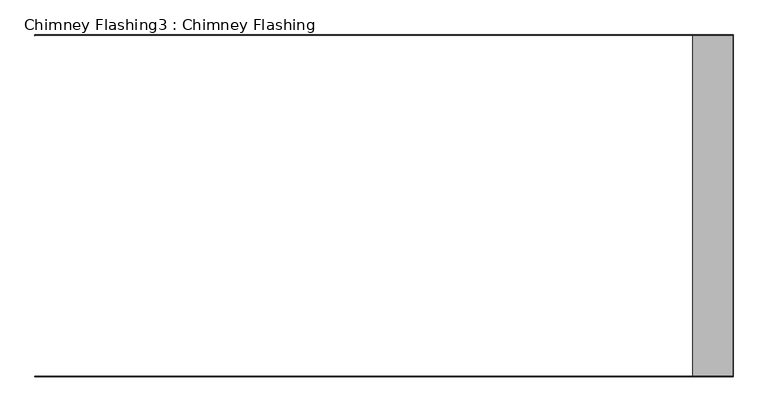
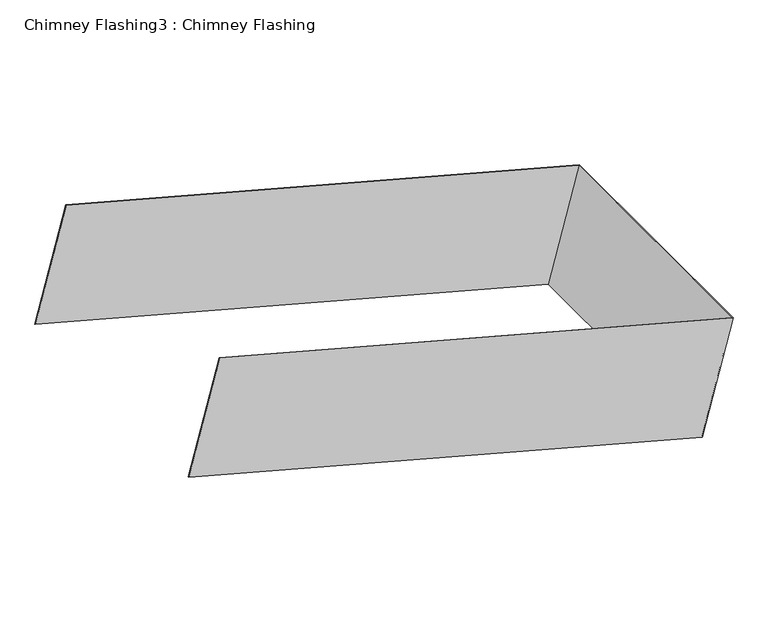
"""IFC4 building model written with IfcOpenShell, lengths in millimetres: proxy geometry, Chimney Flashing3 : Chimney Flashing."""

from ifc_helpers import new_model, si_unit, frame, origin, place, context, project, spatial, polyline, outline, extrude, source, transform, mapped, element, save


def chimney_flashing3_chimney_flashing_d32aa1b1(model_context):
    return source(origin(), model_context, "Body", "SweptSolid", [
        extrude(outline(polyline([(0.0, -1.0), (0.0, 0.0), (1200.9999999, 0.0), (1200.9999999, -602.0), (0.0, -602.0), (0.0, -601.0), (1199.9999999, -601.0), (1199.9999999, -1.0), (0.0, -1.0)])), frame((9709.037993, -12620.7134194, 9984.2509927), z_axis=(0.25856567691211196, 0.0, 0.9659936804777666), x_axis=(0.9659936804777666, 0.0, -0.25856567691211196)), (0.0, 0.0, 1.0), 269.6718079),
    ])


if __name__ == "__main__":
    model = new_model("IFC4")
    model_context = context("Model", 3, world=origin())
    ifc_project = project(units=[si_unit("LENGTHUNIT", "METRE", prefix="MILLI")], contexts=[model_context])
    site = spatial("IfcSite", under=ifc_project)
    building = spatial("IfcBuilding", under=site)
    placement = place(None, origin())
    chimney_flashing3_chimney_flashing_shape = chimney_flashing3_chimney_flashing_d32aa1b1(model_context)
    element("IfcBuildingElementProxy", 1, Name="Chimney Flashing3 : Chimney Flashing", ObjectType="Chimney Flashing3 : Chimney Flashing", at=placement, inside=building, context=model_context, shape_type="MappedRepresentation", body=[
        mapped(chimney_flashing3_chimney_flashing_shape, transform((0.0, 0.0, 0.0), x_axis=(1.0, 0.0, 0.0), y_axis=(0.0, 1.0, 0.0), z_axis=(0.0, 0.0, 1.0))),
    ])
    save(model, "model.ifc")
